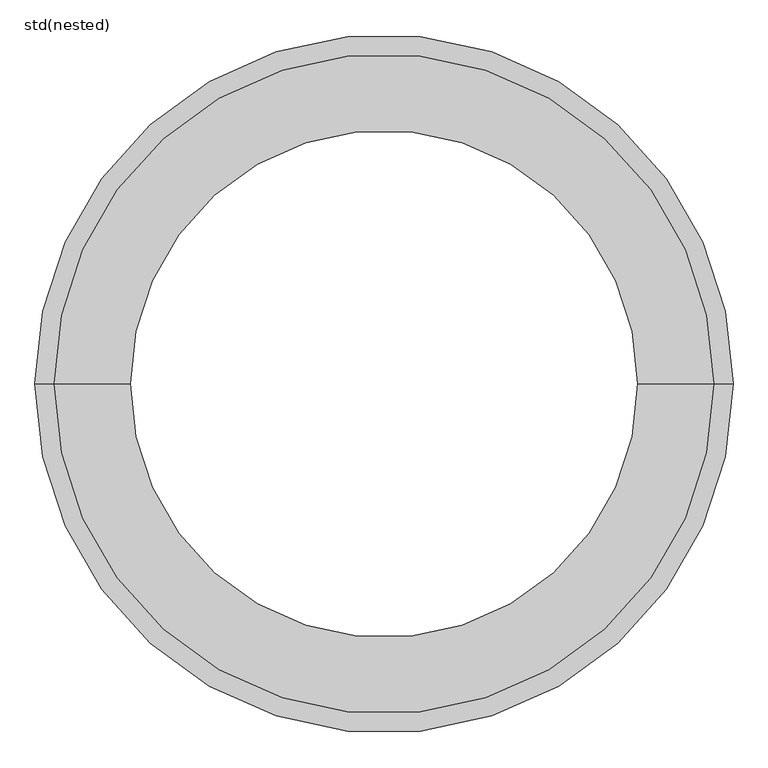
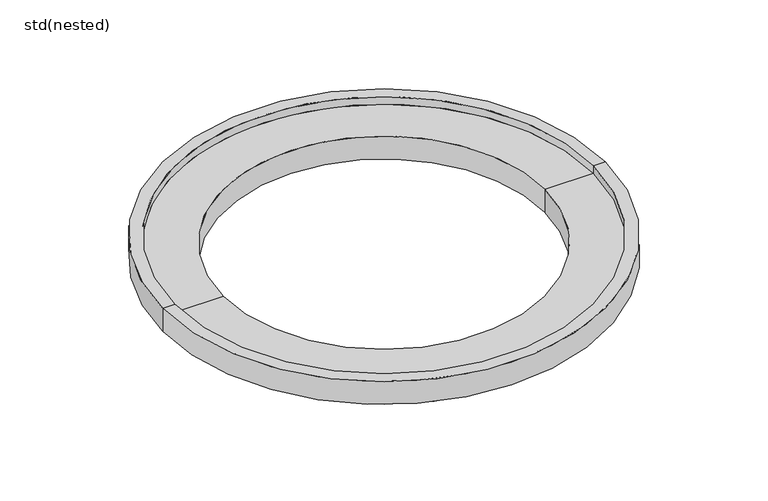
"""IFC4 building model written with IfcOpenShell, lengths in millimetres: unitary equipment geometry, std(nested)."""

from ifc_helpers import new_model, si_unit, frame, origin, place, context, project, spatial, polyline, circle_curve, source, transform, mapped, element, save
from ifc_brep_helpers import plane_surface, cylinder_surface, revolved_surface, advanced_brep


def std_nested_f0e46033(model_context):
    return source(origin(), model_context, "Body", "AdvancedBrep", [
        advanced_brep(
        [(520.0, 0.0, -60.0), (-520.0, 0.0, -60.0), (-550.0, 0.0, -60.0), (550.0, 0.0, -60.0), (520.0, 0.0, -80.0), (-520.0, 0.0, -80.0), (400.0, 0.0, -80.0), (-400.0, 0.0, -80.0), (400.0, 0.0, -20.0), (-400.0, 0.0, -20.0), (520.0, 0.0, -20.0), (-520.0, 0.0, -20.0), (520.0, 0.0, 0.0), (-520.0, 0.0, 0.0), (550.0, 0.0, 0.0), (-550.0, 0.0, 0.0)],
        [
            (0, 1, circle_curve(frame((0.0, 0.0, -60.0), z_axis=(0.0, 0.0, 1.0), x_axis=(-1.0, 0.0, 0.0)), 520.0)),
            (1, 2),
            (2, 3, circle_curve(frame((0.0, 0.0, -60.0), z_axis=(0.0, 0.0, -1.0), x_axis=(-1.0, 0.0, 0.0)), 550.0)),
            (3, 0),
            (1, 0, circle_curve(frame((0.0, 0.0, -60.0), z_axis=(0.0, 0.0, 1.0), x_axis=(-1.0, 0.0, 0.0)), 520.0)),
            (3, 2, circle_curve(frame((0.0, 0.0, -60.0), z_axis=(0.0, 0.0, -1.0), x_axis=(-1.0, 0.0, 0.0)), 550.0)),
            (4, 5, circle_curve(frame((0.0, 0.0, -80.0), z_axis=(0.0, 0.0, 1.0), x_axis=(-1.0, 0.0, 0.0)), 520.0)),
            (5, 1),
            (0, 4),
            (5, 4, circle_curve(frame((0.0, 0.0, -80.0), z_axis=(0.0, 0.0, 1.0), x_axis=(-1.0, 0.0, 0.0)), 520.0)),
            (6, 7, circle_curve(frame((0.0, 0.0, -80.0), z_axis=(0.0, 0.0, 1.0), x_axis=(-1.0, 0.0, 0.0)), 400.0)),
            (7, 5),
            (4, 6),
            (7, 6, circle_curve(frame((0.0, 0.0, -80.0), z_axis=(0.0, 0.0, 1.0), x_axis=(-1.0, 0.0, 0.0)), 400.0)),
            (8, 9, circle_curve(frame((0.0, 0.0, -20.0), z_axis=(0.0, 0.0, 1.0), x_axis=(-1.0, 0.0, 0.0)), 400.0)),
            (9, 7),
            (6, 8),
            (9, 8, circle_curve(frame((0.0, 0.0, -20.0), z_axis=(0.0, 0.0, 1.0), x_axis=(-1.0, 0.0, 0.0)), 400.0)),
            (10, 11, circle_curve(frame((0.0, 0.0, -20.0), z_axis=(0.0, 0.0, 1.0), x_axis=(-1.0, 0.0, 0.0)), 520.0)),
            (11, 9),
            (8, 10),
            (11, 10, circle_curve(frame((0.0, 0.0, -20.0), z_axis=(0.0, 0.0, 1.0), x_axis=(-1.0, 0.0, 0.0)), 520.0)),
            (12, 13, circle_curve(frame((0.0, 0.0, 0.0), z_axis=(0.0, 0.0, 1.0), x_axis=(-1.0, 0.0, 0.0)), 520.0)),
            (13, 11),
            (10, 12),
            (13, 12, circle_curve(frame((0.0, 0.0, 0.0), z_axis=(0.0, 0.0, 1.0), x_axis=(-1.0, 0.0, 0.0)), 520.0)),
            (14, 15, circle_curve(frame((0.0, 0.0, 0.0), z_axis=(0.0, 0.0, 1.0), x_axis=(-1.0, 0.0, 0.0)), 550.0)),
            (15, 13),
            (12, 14),
            (15, 14, circle_curve(frame((0.0, 0.0, 0.0), z_axis=(0.0, 0.0, 1.0), x_axis=(-1.0, 0.0, 0.0)), 550.0)),
            (2, 15),
            (14, 3),
        ],
        [
            plane_surface(frame((0.0, 0.0, -60.0), z_axis=(0.0, 0.0, -1.0), x_axis=(-1.0, 0.0, 0.0))),
            cylinder_surface(frame((0.0, 0.0, 0.0), z_axis=(0.0, 0.0, -1.0), x_axis=(-1.0, 0.0, 0.0)), 520.0),
            plane_surface(frame((0.0, 0.0, -80.0), z_axis=(0.0, 0.0, -1.0), x_axis=(-1.0, 0.0, 0.0))),
            revolved_surface(polyline([(-400.0, 0.0, -80.0), (-400.0, 0.0, -20.0)]), (0.0, 0.0, 0.0), (0.0, 0.0, -1.0)),
            plane_surface(frame((0.0, 0.0, -20.0), z_axis=(0.0, 0.0, 1.0), x_axis=(-1.0, 0.0, 0.0))),
            revolved_surface(polyline([(-520.0, 0.0, -20.0), (-520.0, 0.0, 0.0)]), (0.0, 0.0, 0.0), (0.0, 0.0, -1.0)),
            plane_surface(frame((0.0, 0.0, 0.0), z_axis=(0.0, 0.0, 1.0), x_axis=(-1.0, 0.0, 0.0))),
            cylinder_surface(frame((0.0, 0.0, 0.0), z_axis=(0.0, 0.0, -1.0), x_axis=(-1.0, 0.0, 0.0)), 550.0),
        ],
        [
            (0, [[1, 2, 3, 4]]),
            (0, [[5, -4, 6, -2]]),
            (1, [[7, 8, -1, 9]]),
            (1, [[10, -9, -5, -8]]),
            (2, [[11, 12, -7, 13]]),
            (2, [[14, -13, -10, -12]]),
            (3, [[15, 16, -11, 17]]),
            (3, [[18, -17, -14, -16]]),
            (4, [[19, 20, -15, 21]]),
            (4, [[22, -21, -18, -20]]),
            (5, [[23, 24, -19, 25]]),
            (5, [[26, -25, -22, -24]]),
            (6, [[27, 28, -23, 29]]),
            (6, [[30, -29, -26, -28]]),
            (7, [[-3, 31, -27, 32]]),
            (7, [[-6, -32, -30, -31]]),
        ],
    ),
    ])


if __name__ == "__main__":
    model = new_model("IFC4")
    model_context = context("Model", 3, world=origin())
    ifc_project = project(units=[si_unit("LENGTHUNIT", "METRE", prefix="MILLI")], contexts=[model_context])
    site = spatial("IfcSite", under=ifc_project)
    building = spatial("IfcBuilding", under=site)
    placement = place(None, origin())
    std_nested_shape = std_nested_f0e46033(model_context)
    element("IfcUnitaryEquipment", 1, ObjectType="std(nested)", at=placement, inside=building, context=model_context, shape_type="MappedRepresentation", body=[
        mapped(std_nested_shape, transform((0.0, 0.0, 0.0), x_axis=(1.0, 0.0, 0.0), y_axis=(0.0, 1.0, 0.0), z_axis=(0.0, 0.0, 1.0))),
    ])
    save(model, "model.ifc")
